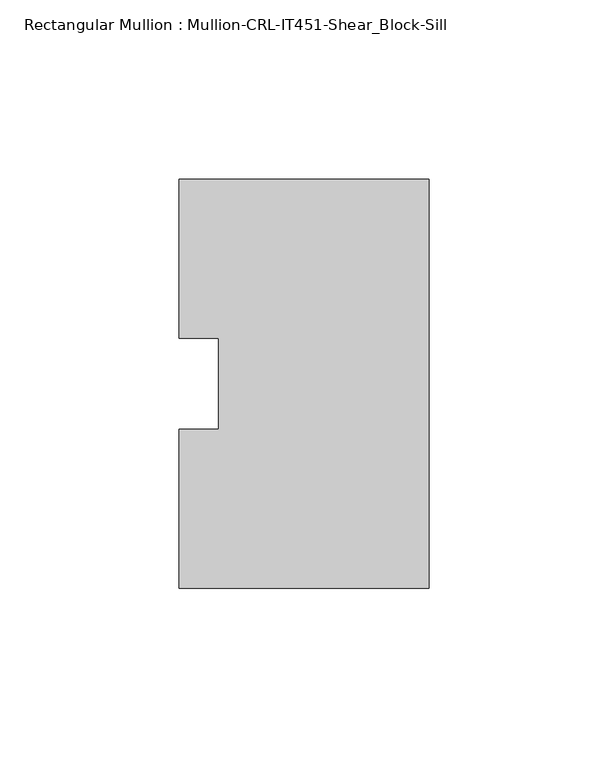
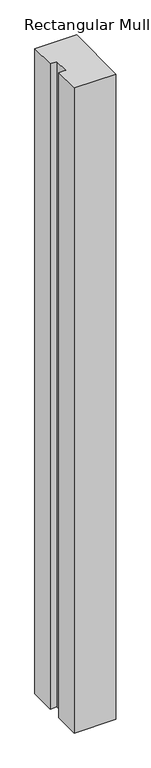
"""IFC4 building model written with IfcOpenShell, lengths in millimetres: member geometry, Rectangular Mullion : Mullion-CRL-IT451-Shear_Block-Sill."""

import ifcopenshell
import ifcopenshell.guid

model = None  # the IFC model being written
_history = None  # IfcOwnerHistory: only IFC2X3 demands one
_inside = {}  # id of a spatial element -> (the spatial element, [elements in it])
_under = {}  # id of a project, library or spatial element -> (it, [spatial elements below it])
_declared = {}  # id of a project -> (the project, [libraries it declares])
_typed = {}  # id of a type object -> (the type object, [elements of that type])
_made_of = {}  # id of a material, layer set ... -> (it, [elements and type objects made of it])


def new_model(schema):
    """Start an empty IFC model of exactly this schema.

    Asked for "IFC4X3", IfcOpenShell would pick the latest addendum, in which some entities
    have other attributes; the version numbers below select the first issue.
    IFC2X3 requires an IfcOwnerHistory on every rooted entity: one is made here for all.
    """
    global model, _history
    if schema == "IFC4X3":
        model = ifcopenshell.file(schema_version=(4, 3, 0, 0))
    else:
        model = ifcopenshell.file(schema=schema)
    _inside.clear()
    _under.clear()
    _declared.clear()
    _typed.clear()
    _made_of.clear()
    _history = None
    if model.schema == "IFC2X3":
        org = make("IfcOrganization", Name="unknown")
        user = make(
            "IfcPersonAndOrganization",
            ThePerson=make("IfcPerson", FamilyName="unknown"),
            TheOrganization=org,
        )
        app = make(
            "IfcApplication",
            ApplicationDeveloper=org,
            Version="unknown",
            ApplicationFullName="unknown",
            ApplicationIdentifier="unknown",
        )
        _history = make(
            "IfcOwnerHistory",
            OwningUser=user,
            OwningApplication=app,
            ChangeAction="ADDED",
            CreationDate=0,
        )
    return model


def make(cls, **values):
    """One entity of the class cls with the attributes given. An attribute that is None is left unset."""
    return model.create_entity(
        cls, **{name: value for name, value in values.items() if value is not None}
    )


def rooted(cls, **values):
    """An entity with a GlobalId (a new one), such as an element, a storey or a relation."""
    return make(cls, GlobalId=ifcopenshell.guid.new(), OwnerHistory=_history, **values)


def si_unit(unit_type, name, prefix=None):
    """IfcSIUnit, for example si_unit("LENGTHUNIT", "METRE", prefix="MILLI")."""
    return make("IfcSIUnit", UnitType=unit_type, Prefix=prefix, Name=name)


def assignment(units):
    """IfcUnitAssignment: the units of a project."""
    return None if units is None else make("IfcUnitAssignment", Units=units)


def point(xyz):
    """IfcCartesianPoint."""
    return None if xyz is None else make("IfcCartesianPoint", Coordinates=xyz)


def direction(xyz):
    """IfcDirection."""
    return None if xyz is None else make("IfcDirection", DirectionRatios=xyz)


def frame(location, z_axis=None, x_axis=None):
    """IfcAxis2Placement3D, a coordinate frame: its origin and axes. An axis left out is left unset."""
    return make(
        "IfcAxis2Placement3D",
        Location=point(location),
        Axis=direction(z_axis),
        RefDirection=direction(x_axis),
    )


def origin():
    """The frame at (0, 0, 0) with its axes left unset."""
    return frame((0.0, 0.0, 0.0))


def place(relative_to, where):
    """IfcLocalPlacement: puts the frame where relative to a parent placement (None: the world)."""
    return make(
        "IfcLocalPlacement", PlacementRelTo=relative_to, RelativePlacement=where
    )


def context(
    kind, dimensions, precision=None, world=None, true_north=None, identifier=None
):
    """IfcGeometricRepresentationContext, for example the 3D "Model" context."""
    return make(
        "IfcGeometricRepresentationContext",
        ContextIdentifier=identifier,
        ContextType=kind,
        CoordinateSpaceDimension=dimensions,
        Precision=precision,
        WorldCoordinateSystem=world,
        TrueNorth=true_north,
    )


def project(units=None, contexts=None):
    """IfcProject with its units and contexts."""
    return rooted(
        "IfcProject",
        Name="project",
        RepresentationContexts=contexts,
        UnitsInContext=assignment(units),
    )


def spatial(cls, under=None, at=None, **own):
    """A site, building, storey or space (cls), placed at a placement, below another one or the project."""
    s = rooted(cls, ObjectPlacement=at, **own)
    if under is not None:
        _under.setdefault(under.id(), (under, []))[1].append(s)
    return s


def polyline(points):
    """IfcPolyline through the points."""
    return make("IfcPolyline", Points=[point(p) for p in points])


def outline(outer, holes=None, kind="AREA"):
    """IfcArbitraryClosedProfileDef: a profile drawn as a closed curve; with holes, ...WithVoids."""
    if holes is None:
        return make("IfcArbitraryClosedProfileDef", ProfileType=kind, OuterCurve=outer)
    return make(
        "IfcArbitraryProfileDefWithVoids",
        ProfileType=kind,
        OuterCurve=outer,
        InnerCurves=holes,
    )


def extrude(swept, where, along, depth):
    """IfcExtrudedAreaSolid: the profile swept, set in the frame where, extruded along a direction by depth."""
    return make(
        "IfcExtrudedAreaSolid",
        SweptArea=swept,
        Position=where,
        ExtrudedDirection=direction(along),
        Depth=depth,
    )


def shape(context_of_items, identifier, shape_type, items):
    """IfcShapeRepresentation: the items that make up one representation, for example the "Body"."""
    return make(
        "IfcShapeRepresentation",
        ContextOfItems=context_of_items,
        RepresentationIdentifier=identifier,
        RepresentationType=shape_type,
        Items=items,
    )


def source(mapping_origin, context_of_items, identifier, shape_type, items):
    """IfcRepresentationMap: a shape defined once, which mapped items show again and again."""
    return make(
        "IfcRepresentationMap",
        MappingOrigin=mapping_origin,
        MappedRepresentation=shape(context_of_items, identifier, shape_type, items),
    )


def transform(
    local_origin,
    x_axis=None,
    y_axis=None,
    z_axis=None,
    scale=None,
    scale2=None,
    scale3=None,
    uniform=True,
):
    """IfcCartesianTransformationOperator3D, or its non-uniform kind. x_axis, y_axis, z_axis: its Axis1, 2, 3."""
    if uniform:
        return make(
            "IfcCartesianTransformationOperator3D",
            Axis1=direction(x_axis),
            Axis2=direction(y_axis),
            LocalOrigin=point(local_origin),
            Scale=scale,
            Axis3=direction(z_axis),
        )
    return make(
        "IfcCartesianTransformationOperator3DnonUniform",
        Axis1=direction(x_axis),
        Axis2=direction(y_axis),
        LocalOrigin=point(local_origin),
        Scale=scale,
        Axis3=direction(z_axis),
        Scale2=scale2,
        Scale3=scale3,
    )


def mapped(mapping_source, mapping_target):
    """IfcMappedItem: shows the shape of a source again, moved by a transform."""
    return make(
        "IfcMappedItem", MappingSource=mapping_source, MappingTarget=mapping_target
    )


def made_of(thing, what):
    """Note that an element or type object is made of a material, layer set ...; save() writes the relation."""
    if what is not None:
        _made_of.setdefault(what.id(), (what, []))[1].append(thing)
    return thing


def element(
    cls,
    number,
    at=None,
    inside=None,
    cuts=None,
    type_object=None,
    material=None,
    context=None,
    identifier="Body",
    shape_type=None,
    held_by="IfcProductDefinitionShape",
    body=None,
    shapes=None,
    **own,
):
    """One element of the class cls, such as IfcWall. Its Tag is "e" and its number.

    at: its placement. inside: the storey or other place that contains it. cuts: it is an
    opening in that element (IfcRelVoidsElement). A single representation is given by context,
    identifier, shape_type and body (its items); several are given by shapes. held_by: the class
    of the entity that holds the representations. save() writes the other relations.
    """
    e = rooted(cls, Tag="e%d" % number, ObjectPlacement=at, **own)
    if body is not None:
        shapes = [shape(context, identifier, shape_type, body)]
    if shapes is not None:
        e.Representation = make(held_by, Representations=shapes)
    if inside is not None:
        _inside.setdefault(inside.id(), (inside, []))[1].append(e)
    if cuts is not None:
        rooted(
            "IfcRelVoidsElement", RelatingBuildingElement=cuts, RelatedOpeningElement=e
        )
    if type_object is not None:
        _typed.setdefault(type_object.id(), (type_object, []))[1].append(e)
    return made_of(e, material)


def aggregate(whole, parts):
    """IfcRelAggregates: a whole, such as a stair, and the parts it consists of."""
    return rooted("IfcRelAggregates", RelatingObject=whole, RelatedObjects=parts)


def save(model, path):
    """Write the relations noted so far, then the file.

    IfcRelAggregates (storeys below a building ...), IfcRelContainedInSpatialStructure (elements
    in a storey), IfcRelDefinesByType, IfcRelAssociatesMaterial and IfcRelDeclares: one each for
    every whole, place, type object, material and project.
    """
    for whole, parts in _under.values():
        aggregate(whole, parts)
    for where, things in _inside.values():
        rooted(
            "IfcRelContainedInSpatialStructure",
            RelatedElements=things,
            RelatingStructure=where,
        )
    for kind, things in _typed.values():
        rooted("IfcRelDefinesByType", RelatedObjects=things, RelatingType=kind)
    for what, things in _made_of.values():
        rooted("IfcRelAssociatesMaterial", RelatedObjects=things, RelatingMaterial=what)
    for by, libraries in _declared.values():
        rooted("IfcRelDeclares", RelatingContext=by, RelatedDefinitions=libraries)
    model.write(path)


def rectangular_mullion_mullion_crl_it451_shear_block_sill_1c0d4d19(model_context):
    return source(origin(), model_context, "Body", "SweptSolid", [
        extrude(outline(polyline([(0.0, -57.1500171), (-69.85, -57.1500171), (-69.85, -12.7000171), (-58.7375, -12.7000171), (-58.7375, 12.7000171), (-69.85, 12.7000171), (-69.85, 57.1499829), (0.0, 57.1499829), (0.0, -57.1500171)])), frame((0.0, 0.0, -1143.0), z_axis=(0.0, 0.0, 1.0), x_axis=(1.0, 0.0, 0.0)), (0.0, 0.0, 1.0), 1143.0),
    ])


if __name__ == "__main__":
    model = new_model("IFC4")
    model_context = context("Model", 3, world=origin())
    ifc_project = project(units=[si_unit("LENGTHUNIT", "METRE", prefix="MILLI")], contexts=[model_context])
    site = spatial("IfcSite", under=ifc_project)
    building = spatial("IfcBuilding", under=site)
    placement = place(None, origin())
    rectangular_mullion_mullion_crl_it451_shear_block_sill_shape = rectangular_mullion_mullion_crl_it451_shear_block_sill_1c0d4d19(model_context)
    element("IfcMember", 1, ObjectType="Rectangular Mullion : Mullion-CRL-IT451-Shear_Block-Sill", at=placement, inside=building, context=model_context, shape_type="MappedRepresentation", body=[
        mapped(rectangular_mullion_mullion_crl_it451_shear_block_sill_shape, transform((0.0, 0.0, 0.0), x_axis=(1.0, 0.0, 0.0), y_axis=(0.0, 1.0, 0.0), z_axis=(0.0, 0.0, 1.0))),
    ])
    save(model, "model.ifc")
